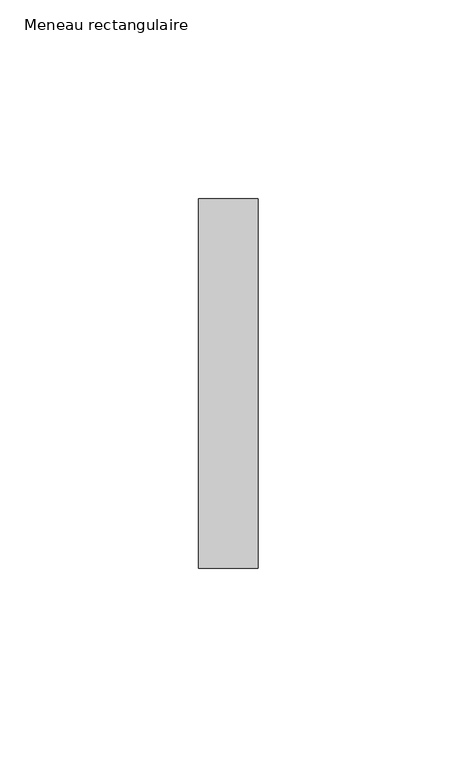
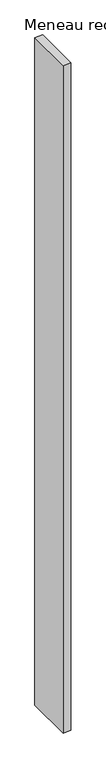
"""IFC4 building model written with IfcOpenShell, lengths in millimetres: member geometry, Meneau rectangulaire."""

from ifc_helpers import new_model, si_unit, frame, origin, place, context, project, spatial, polyline, outline, extrude, source, transform, mapped, element, save


def meneau_rectangulaire_ea7c0917(model_context):
    return source(origin(), model_context, "Body", "SweptSolid", [
        extrude(outline(polyline([(0.0, 46.5), (0.0, -46.5), (-15.0, -46.5), (-15.0, 46.5), (0.0, 46.5)])), frame((0.0, 0.0, -1345.1666666), z_axis=(0.0, 0.0, 1.0), x_axis=(1.0, 0.0, 0.0)), (0.0, 0.0, 1.0), 1345.1666666),
    ])


if __name__ == "__main__":
    model = new_model("IFC4")
    model_context = context("Model", 3, world=origin())
    ifc_project = project(units=[si_unit("LENGTHUNIT", "METRE", prefix="MILLI")], contexts=[model_context])
    site = spatial("IfcSite", under=ifc_project)
    building = spatial("IfcBuilding", under=site)
    placement = place(None, origin())
    meneau_rectangulaire_shape = meneau_rectangulaire_ea7c0917(model_context)
    element("IfcMember", 1, ObjectType="Meneau rectangulaire", at=placement, inside=building, context=model_context, shape_type="MappedRepresentation", body=[
        mapped(meneau_rectangulaire_shape, transform((0.0, 0.0, 0.0), x_axis=(1.0, 0.0, 0.0), y_axis=(0.0, 1.0, 0.0), z_axis=(0.0, 0.0, 1.0))),
    ])
    save(model, "model.ifc")
